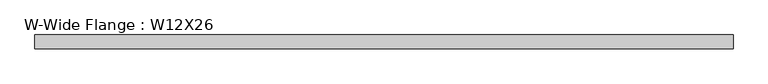
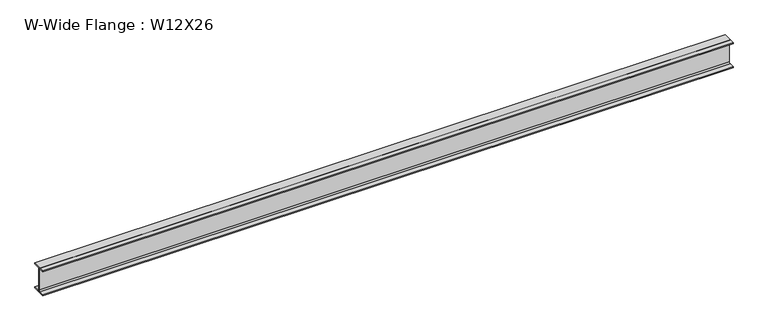
"""IFC4 building model written with IfcOpenShell, lengths in millimetres: beam geometry, W-Wide Flange : W12X26."""

from ifc_helpers import new_model, si_unit, point, frame, frame_2d, origin, place, context, project, spatial, polyline, circle_curve, trimmed, segment, composite_curve, outline, extrude, source, transform, mapped, element, save


def w_wide_flange_w12x26_13179308(model_context):
    return source(origin(), model_context, "Body", "SweptSolid", [
        extrude(outline(composite_curve([segment(polyline([(82.4011719, -145.5539063), (82.4011719, -155.178125), (-82.4011719, -155.178125), (-82.4011719, -145.5539063), (-20.2902344, -145.5539063)]), True, "CONTINUOUS"), segment(trimmed(circle_curve(frame_2d((-20.2902344, -128.190625)), 17.3632812), [point((-20.2902344, -145.5539063))], [point((-2.9269531, -128.190625))], True, "CARTESIAN"), True, "CONTINUOUS"), segment(polyline([(-2.9269531, -128.190625), (-2.9269531, 128.190625)]), True, "CONTINUOUS"), segment(trimmed(circle_curve(frame_2d((-20.2902344, 128.190625)), 17.3632812), [point((-2.9269531, 128.190625))], [point((-20.2902344, 145.5539062))], True, "CARTESIAN"), True, "CONTINUOUS"), segment(polyline([(-20.2902344, 145.5539062), (-82.4011719, 145.5539062), (-82.4011719, 155.178125), (82.4011719, 155.178125), (82.4011719, 145.5539062), (20.2902344, 145.5539062)]), True, "CONTINUOUS"), segment(trimmed(circle_curve(frame_2d((20.2902344, 128.190625)), 17.3632812), [point((20.2902344, 145.5539062))], [point((2.9269531, 128.190625))], True, "CARTESIAN"), True, "CONTINUOUS"), segment(polyline([(2.9269531, 128.190625), (2.9269531, -128.190625)]), True, "CONTINUOUS"), segment(trimmed(circle_curve(frame_2d((20.2902344, -128.190625)), 17.3632812), [point((2.9269531, -128.190625))], [point((20.2902344, -145.5539063))], True, "CARTESIAN"), True, "CONTINUOUS"), segment(polyline([(20.2902344, -145.5539063), (82.4011719, -145.5539063)]), True, "CONTINUOUS")], self_intersect=False)), frame((-4095.8988281, 0.0, 0.0), z_axis=(1.0, 0.0, 0.0), x_axis=(0.0, 1.0, 0.0)), (0.0, 0.0, 1.0), 8191.7976562),
    ])


if __name__ == "__main__":
    model = new_model("IFC4")
    model_context = context("Model", 3, world=origin())
    ifc_project = project(units=[si_unit("LENGTHUNIT", "METRE", prefix="MILLI")], contexts=[model_context])
    site = spatial("IfcSite", under=ifc_project)
    building = spatial("IfcBuilding", under=site)
    placement = place(None, origin())
    w_wide_flange_w12x26_shape = w_wide_flange_w12x26_13179308(model_context)
    element("IfcBeam", 1, ObjectType="W-Wide Flange : W12X26", at=placement, inside=building, context=model_context, shape_type="MappedRepresentation", body=[
        mapped(w_wide_flange_w12x26_shape, transform((0.0, 0.0, 0.0), x_axis=(1.0, 0.0, 0.0), y_axis=(0.0, 1.0, 0.0), z_axis=(0.0, 0.0, 1.0))),
    ])
    save(model, "model.ifc")
